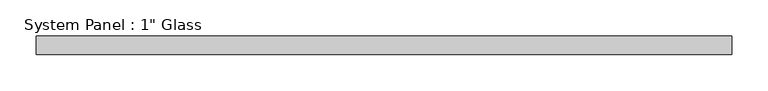
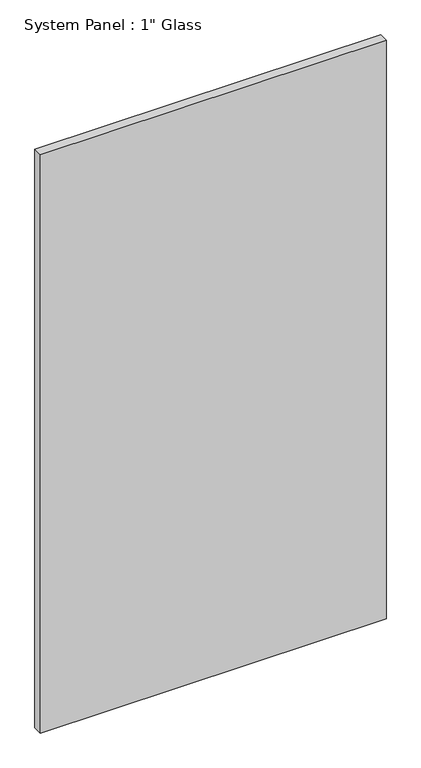
"""IFC4 building model written with IfcOpenShell, lengths in millimetres: plate geometry."""

from ifc_helpers import new_model, si_unit, origin, origin_with_axes, place, context, project, spatial, polyline, outline, extrude, source, transform, mapped, element, save


def plate_ddc463cb(model_context):
    return source(origin(), model_context, "Body", "SweptSolid", [
        extrude(outline(polyline([(479.425, -12.7), (-479.425, -12.7), (-479.425, 12.7), (479.425, 12.7), (479.425, -12.7)])), origin_with_axes(), (0.0, 0.0, 1.0), 1695.45),
    ])


if __name__ == "__main__":
    model = new_model("IFC4")
    model_context = context("Model", 3, world=origin())
    ifc_project = project(units=[si_unit("LENGTHUNIT", "METRE", prefix="MILLI")], contexts=[model_context])
    site = spatial("IfcSite", under=ifc_project)
    building = spatial("IfcBuilding", under=site)
    placement = place(None, origin())
    plate_shape = plate_ddc463cb(model_context)
    element("IfcPlate", 1, ObjectType="System Panel : 1\" Glass", at=placement, inside=building, context=model_context, shape_type="MappedRepresentation", body=[
        mapped(plate_shape, transform((0.0, 0.0, 0.0), x_axis=(1.0, 0.0, 0.0), y_axis=(0.0, 1.0, 0.0), z_axis=(0.0, 0.0, 1.0))),
    ])
    save(model, "model.ifc")
